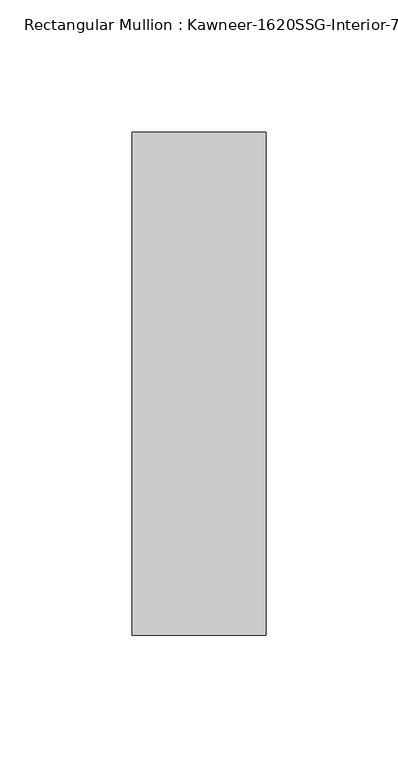
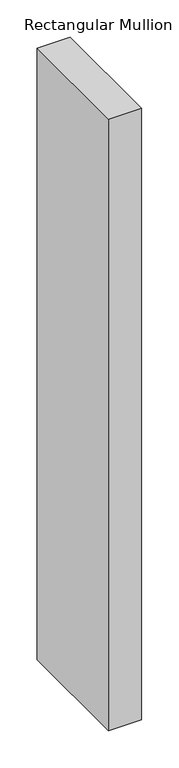
"""IFC4 building model written with IfcOpenShell, lengths in millimetres: member geometry."""

from ifc_helpers import new_model, si_unit, frame, origin, place, context, project, spatial, polyline, outline, extrude, source, transform, mapped, element, save


def member_185ae922(model_context):
    return source(origin(), model_context, "Body", "SweptSolid", [
        extrude(outline(polyline([(25.4, -152.4), (-25.4, -152.4), (-25.4, 38.1), (25.4, 38.1), (25.4, -152.4)])), frame((0.0, 0.0, -996.8098051), z_axis=(0.0, 0.0, 1.0), x_axis=(1.0, 0.0, 0.0)), (0.0, 0.0, 1.0), 996.8098051),
    ])


if __name__ == "__main__":
    model = new_model("IFC4")
    model_context = context("Model", 3, world=origin())
    ifc_project = project(units=[si_unit("LENGTHUNIT", "METRE", prefix="MILLI")], contexts=[model_context])
    site = spatial("IfcSite", under=ifc_project)
    building = spatial("IfcBuilding", under=site)
    placement = place(None, origin())
    member_shape = member_185ae922(model_context)
    element("IfcMember", 1, ObjectType="Rectangular Mullion : Kawneer-1620SSG-Interior-7.5\"-1\"Infill", at=placement, inside=building, context=model_context, shape_type="MappedRepresentation", body=[
        mapped(member_shape, transform((0.0, 0.0, 0.0), x_axis=(1.0, 0.0, 0.0), y_axis=(0.0, 1.0, 0.0), z_axis=(0.0, 0.0, 1.0))),
    ])
    save(model, "model.ifc")
